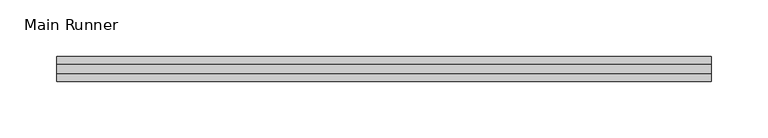
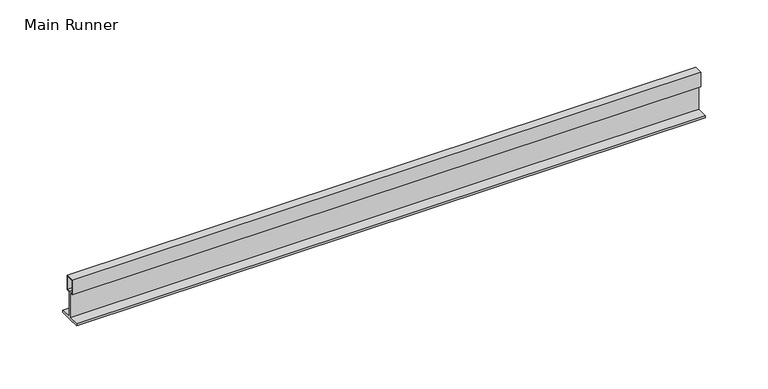
"""IFC4 building model written with IfcOpenShell, lengths in millimetres: beam geometry, Main Runner."""

from ifc_helpers import new_model, si_unit, frame, origin, place, context, project, spatial, polyline, outline, extrude, source, transform, mapped, element, save


def main_runner_36dc2b6c(model_context):
    return source(origin(), model_context, "Body", "SweptSolid", [
        extrude(outline(polyline([(11.0, -2.0), (0.0, -2.0), (-11.0, -2.0), (-11.0, 0.0), (-1.0, 0.0), (-1.0, 24.0), (-4.0, 24.0), (-4.0, 38.1243468), (4.0, 38.1243468), (4.0, 24.0), (1.0, 24.0), (1.0, 0.0), (11.0, 0.0), (11.0, -2.0)]), holes=[polyline([(3.0, 37.1243468), (-3.0169966, 37.1243468), (-3.0169966, 25.0), (0.0, 25.0), (3.0, 25.0), (3.0, 37.1243468)])]), frame((-289.0, 0.0, 0.0), z_axis=(1.0, 0.0, 0.0), x_axis=(0.0, 1.0, 0.0)), (0.0, 0.0, 1.0), 578.0),
    ])


if __name__ == "__main__":
    model = new_model("IFC4")
    model_context = context("Model", 3, world=origin())
    ifc_project = project(units=[si_unit("LENGTHUNIT", "METRE", prefix="MILLI")], contexts=[model_context])
    site = spatial("IfcSite", under=ifc_project)
    building = spatial("IfcBuilding", under=site)
    placement = place(None, origin())
    main_runner_shape = main_runner_36dc2b6c(model_context)
    element("IfcBeam", 1, ObjectType="Main Runner", at=placement, inside=building, context=model_context, shape_type="MappedRepresentation", body=[
        mapped(main_runner_shape, transform((0.0, 0.0, 0.0), x_axis=(1.0, 0.0, 0.0), y_axis=(0.0, 1.0, 0.0), z_axis=(0.0, 0.0, 1.0))),
    ])
    save(model, "model.ifc")
